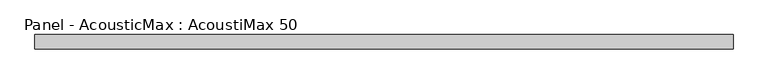
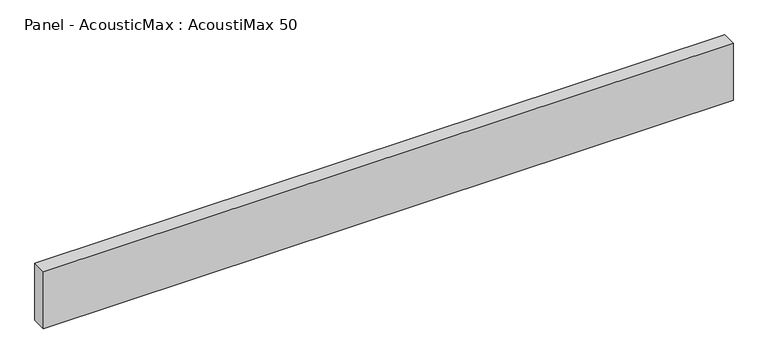
"""IFC4 building model written with IfcOpenShell, lengths in millimetres: plate geometry, Panel - AcousticMax : AcoustiMax 50."""

import ifcopenshell
import ifcopenshell.guid

model = None  # the IFC model being written
_history = None  # IfcOwnerHistory: only IFC2X3 demands one
_inside = {}  # id of a spatial element -> (the spatial element, [elements in it])
_under = {}  # id of a project, library or spatial element -> (it, [spatial elements below it])
_declared = {}  # id of a project -> (the project, [libraries it declares])
_typed = {}  # id of a type object -> (the type object, [elements of that type])
_made_of = {}  # id of a material, layer set ... -> (it, [elements and type objects made of it])


def new_model(schema):
    """Start an empty IFC model of exactly this schema.

    Asked for "IFC4X3", IfcOpenShell would pick the latest addendum, in which some entities
    have other attributes; the version numbers below select the first issue.
    IFC2X3 requires an IfcOwnerHistory on every rooted entity: one is made here for all.
    """
    global model, _history
    if schema == "IFC4X3":
        model = ifcopenshell.file(schema_version=(4, 3, 0, 0))
    else:
        model = ifcopenshell.file(schema=schema)
    _inside.clear()
    _under.clear()
    _declared.clear()
    _typed.clear()
    _made_of.clear()
    _history = None
    if model.schema == "IFC2X3":
        org = make("IfcOrganization", Name="unknown")
        user = make(
            "IfcPersonAndOrganization",
            ThePerson=make("IfcPerson", FamilyName="unknown"),
            TheOrganization=org,
        )
        app = make(
            "IfcApplication",
            ApplicationDeveloper=org,
            Version="unknown",
            ApplicationFullName="unknown",
            ApplicationIdentifier="unknown",
        )
        _history = make(
            "IfcOwnerHistory",
            OwningUser=user,
            OwningApplication=app,
            ChangeAction="ADDED",
            CreationDate=0,
        )
    return model


def make(cls, **values):
    """One entity of the class cls with the attributes given. An attribute that is None is left unset."""
    return model.create_entity(
        cls, **{name: value for name, value in values.items() if value is not None}
    )


def rooted(cls, **values):
    """An entity with a GlobalId (a new one), such as an element, a storey or a relation."""
    return make(cls, GlobalId=ifcopenshell.guid.new(), OwnerHistory=_history, **values)


def si_unit(unit_type, name, prefix=None):
    """IfcSIUnit, for example si_unit("LENGTHUNIT", "METRE", prefix="MILLI")."""
    return make("IfcSIUnit", UnitType=unit_type, Prefix=prefix, Name=name)


def assignment(units):
    """IfcUnitAssignment: the units of a project."""
    return None if units is None else make("IfcUnitAssignment", Units=units)


def point(xyz):
    """IfcCartesianPoint."""
    return None if xyz is None else make("IfcCartesianPoint", Coordinates=xyz)


def direction(xyz):
    """IfcDirection."""
    return None if xyz is None else make("IfcDirection", DirectionRatios=xyz)


def frame(location, z_axis=None, x_axis=None):
    """IfcAxis2Placement3D, a coordinate frame: its origin and axes. An axis left out is left unset."""
    return make(
        "IfcAxis2Placement3D",
        Location=point(location),
        Axis=direction(z_axis),
        RefDirection=direction(x_axis),
    )


def origin():
    """The frame at (0, 0, 0) with its axes left unset."""
    return frame((0.0, 0.0, 0.0))


def origin_with_axes():
    """The frame at (0, 0, 0) with the z axis (0, 0, 1) and the x axis (1, 0, 0) written out."""
    return frame((0.0, 0.0, 0.0), z_axis=(0.0, 0.0, 1.0), x_axis=(1.0, 0.0, 0.0))


def place(relative_to, where):
    """IfcLocalPlacement: puts the frame where relative to a parent placement (None: the world)."""
    return make(
        "IfcLocalPlacement", PlacementRelTo=relative_to, RelativePlacement=where
    )


def context(
    kind, dimensions, precision=None, world=None, true_north=None, identifier=None
):
    """IfcGeometricRepresentationContext, for example the 3D "Model" context."""
    return make(
        "IfcGeometricRepresentationContext",
        ContextIdentifier=identifier,
        ContextType=kind,
        CoordinateSpaceDimension=dimensions,
        Precision=precision,
        WorldCoordinateSystem=world,
        TrueNorth=true_north,
    )


def project(units=None, contexts=None):
    """IfcProject with its units and contexts."""
    return rooted(
        "IfcProject",
        Name="project",
        RepresentationContexts=contexts,
        UnitsInContext=assignment(units),
    )


def spatial(cls, under=None, at=None, **own):
    """A site, building, storey or space (cls), placed at a placement, below another one or the project."""
    s = rooted(cls, ObjectPlacement=at, **own)
    if under is not None:
        _under.setdefault(under.id(), (under, []))[1].append(s)
    return s


def polyline(points):
    """IfcPolyline through the points."""
    return make("IfcPolyline", Points=[point(p) for p in points])


def outline(outer, holes=None, kind="AREA"):
    """IfcArbitraryClosedProfileDef: a profile drawn as a closed curve; with holes, ...WithVoids."""
    if holes is None:
        return make("IfcArbitraryClosedProfileDef", ProfileType=kind, OuterCurve=outer)
    return make(
        "IfcArbitraryProfileDefWithVoids",
        ProfileType=kind,
        OuterCurve=outer,
        InnerCurves=holes,
    )


def extrude(swept, where, along, depth):
    """IfcExtrudedAreaSolid: the profile swept, set in the frame where, extruded along a direction by depth."""
    return make(
        "IfcExtrudedAreaSolid",
        SweptArea=swept,
        Position=where,
        ExtrudedDirection=direction(along),
        Depth=depth,
    )


def shape(context_of_items, identifier, shape_type, items):
    """IfcShapeRepresentation: the items that make up one representation, for example the "Body"."""
    return make(
        "IfcShapeRepresentation",
        ContextOfItems=context_of_items,
        RepresentationIdentifier=identifier,
        RepresentationType=shape_type,
        Items=items,
    )


def source(mapping_origin, context_of_items, identifier, shape_type, items):
    """IfcRepresentationMap: a shape defined once, which mapped items show again and again."""
    return make(
        "IfcRepresentationMap",
        MappingOrigin=mapping_origin,
        MappedRepresentation=shape(context_of_items, identifier, shape_type, items),
    )


def transform(
    local_origin,
    x_axis=None,
    y_axis=None,
    z_axis=None,
    scale=None,
    scale2=None,
    scale3=None,
    uniform=True,
):
    """IfcCartesianTransformationOperator3D, or its non-uniform kind. x_axis, y_axis, z_axis: its Axis1, 2, 3."""
    if uniform:
        return make(
            "IfcCartesianTransformationOperator3D",
            Axis1=direction(x_axis),
            Axis2=direction(y_axis),
            LocalOrigin=point(local_origin),
            Scale=scale,
            Axis3=direction(z_axis),
        )
    return make(
        "IfcCartesianTransformationOperator3DnonUniform",
        Axis1=direction(x_axis),
        Axis2=direction(y_axis),
        LocalOrigin=point(local_origin),
        Scale=scale,
        Axis3=direction(z_axis),
        Scale2=scale2,
        Scale3=scale3,
    )


def mapped(mapping_source, mapping_target):
    """IfcMappedItem: shows the shape of a source again, moved by a transform."""
    return make(
        "IfcMappedItem", MappingSource=mapping_source, MappingTarget=mapping_target
    )


def made_of(thing, what):
    """Note that an element or type object is made of a material, layer set ...; save() writes the relation."""
    if what is not None:
        _made_of.setdefault(what.id(), (what, []))[1].append(thing)
    return thing


def element(
    cls,
    number,
    at=None,
    inside=None,
    cuts=None,
    type_object=None,
    material=None,
    context=None,
    identifier="Body",
    shape_type=None,
    held_by="IfcProductDefinitionShape",
    body=None,
    shapes=None,
    **own,
):
    """One element of the class cls, such as IfcWall. Its Tag is "e" and its number.

    at: its placement. inside: the storey or other place that contains it. cuts: it is an
    opening in that element (IfcRelVoidsElement). A single representation is given by context,
    identifier, shape_type and body (its items); several are given by shapes. held_by: the class
    of the entity that holds the representations. save() writes the other relations.
    """
    e = rooted(cls, Tag="e%d" % number, ObjectPlacement=at, **own)
    if body is not None:
        shapes = [shape(context, identifier, shape_type, body)]
    if shapes is not None:
        e.Representation = make(held_by, Representations=shapes)
    if inside is not None:
        _inside.setdefault(inside.id(), (inside, []))[1].append(e)
    if cuts is not None:
        rooted(
            "IfcRelVoidsElement", RelatingBuildingElement=cuts, RelatedOpeningElement=e
        )
    if type_object is not None:
        _typed.setdefault(type_object.id(), (type_object, []))[1].append(e)
    return made_of(e, material)


def aggregate(whole, parts):
    """IfcRelAggregates: a whole, such as a stair, and the parts it consists of."""
    return rooted("IfcRelAggregates", RelatingObject=whole, RelatedObjects=parts)


def save(model, path):
    """Write the relations noted so far, then the file.

    IfcRelAggregates (storeys below a building ...), IfcRelContainedInSpatialStructure (elements
    in a storey), IfcRelDefinesByType, IfcRelAssociatesMaterial and IfcRelDeclares: one each for
    every whole, place, type object, material and project.
    """
    for whole, parts in _under.values():
        aggregate(whole, parts)
    for where, things in _inside.values():
        rooted(
            "IfcRelContainedInSpatialStructure",
            RelatedElements=things,
            RelatingStructure=where,
        )
    for kind, things in _typed.values():
        rooted("IfcRelDefinesByType", RelatedObjects=things, RelatingType=kind)
    for what, things in _made_of.values():
        rooted("IfcRelAssociatesMaterial", RelatedObjects=things, RelatingMaterial=what)
    for by, libraries in _declared.values():
        rooted("IfcRelDeclares", RelatingContext=by, RelatedDefinitions=libraries)
    model.write(path)


def panel_acousticmax_acoustimax_50_1853a635(model_context):
    return source(origin(), model_context, "Body", "SweptSolid", [
        extrude(outline(polyline([(1200.0, -25.0), (-1199.5, -25.0), (-1199.5, 25.0), (1200.0, 25.0), (1200.0, -25.0)])), origin_with_axes(), (0.0, 0.0, 1.0), 209.55),
    ])


if __name__ == "__main__":
    model = new_model("IFC4")
    model_context = context("Model", 3, world=origin())
    ifc_project = project(units=[si_unit("LENGTHUNIT", "METRE", prefix="MILLI")], contexts=[model_context])
    site = spatial("IfcSite", under=ifc_project)
    building = spatial("IfcBuilding", under=site)
    placement = place(None, origin())
    panel_acousticmax_acoustimax_50_shape = panel_acousticmax_acoustimax_50_1853a635(model_context)
    element("IfcPlate", 1, ObjectType="Panel - AcousticMax : AcoustiMax 50", at=placement, inside=building, context=model_context, shape_type="MappedRepresentation", body=[
        mapped(panel_acousticmax_acoustimax_50_shape, transform((0.0, 0.0, 0.0), x_axis=(1.0, 0.0, 0.0), y_axis=(0.0, 1.0, 0.0), z_axis=(0.0, 0.0, 1.0))),
    ])
    save(model, "model.ifc")
